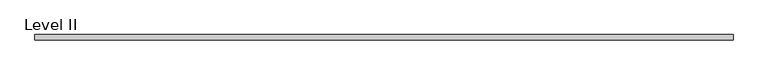
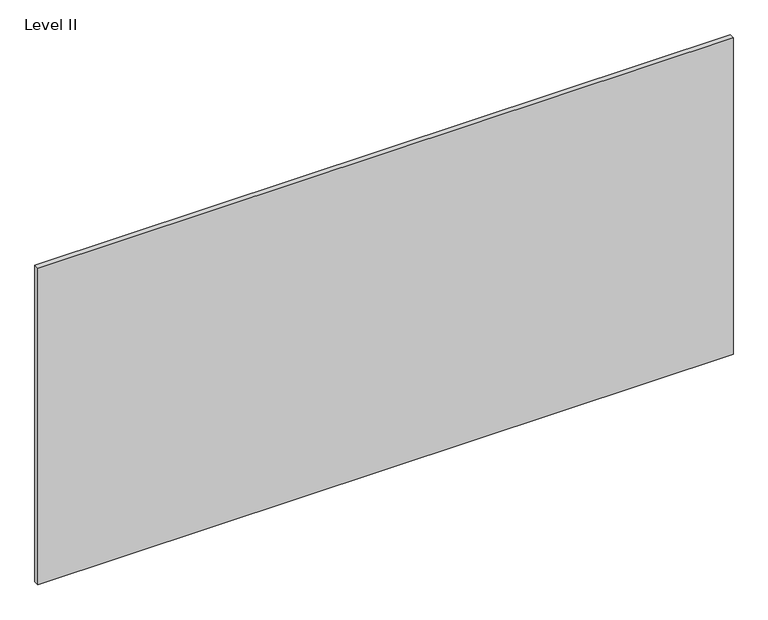
"""IFC4 building model written with IfcOpenShell, lengths in millimetres: proxy geometry, Level II."""

from ifc_helpers import new_model, si_unit, frame, origin, place, context, project, spatial, polyline, outline, extrude, source, transform, mapped, element, save


def level_ii_f53a0955(model_context):
    return source(origin(), model_context, "Body", "SweptSolid", [
        extrude(outline(polyline([(1259.8356344, -9.525), (-1259.8356344, -9.525), (-1259.8356344, 9.525), (1259.8356344, 9.525), (1259.8356344, -9.525)])), frame((0.0, 0.0, 3.175), z_axis=(0.0, 0.0, 1.0), x_axis=(1.0, 0.0, 0.0)), (0.0, 0.0, 1.0), 1212.85),
    ])


if __name__ == "__main__":
    model = new_model("IFC4")
    model_context = context("Model", 3, world=origin())
    ifc_project = project(units=[si_unit("LENGTHUNIT", "METRE", prefix="MILLI")], contexts=[model_context])
    site = spatial("IfcSite", under=ifc_project)
    building = spatial("IfcBuilding", under=site)
    placement = place(None, origin())
    level_ii_shape = level_ii_f53a0955(model_context)
    element("IfcBuildingElementProxy", 1, Name="Level II", ObjectType="Level II", at=placement, inside=building, context=model_context, shape_type="MappedRepresentation", body=[
        mapped(level_ii_shape, transform((0.0, 0.0, 0.0), x_axis=(1.0, 0.0, 0.0), y_axis=(0.0, 1.0, 0.0), z_axis=(0.0, 0.0, 1.0))),
    ])
    save(model, "model.ifc")
